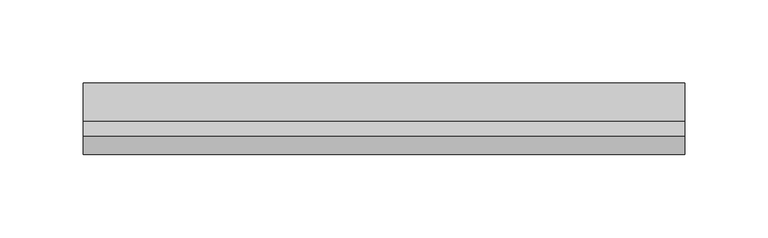
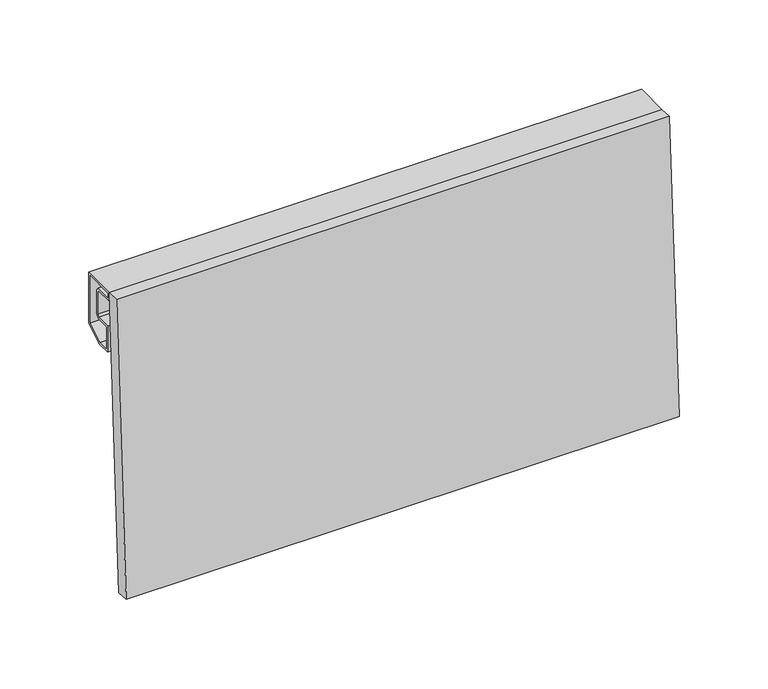
"""IFC4 building model written with IfcOpenShell, lengths in millimetres: plate geometry."""

from ifc_helpers import new_model, si_unit, frame, origin, place, context, project, spatial, polyline, outline, extrude, source, transform, mapped, element, save


def plate_9dce2143(model_context):
    return source(origin(), model_context, "Body", "SweptSolid", [
        extrude(outline(polyline([(0.0, 8.5), (360.0, 8.5), (360.0, 0.0), (0.0, 0.0), (0.0, 8.5)])), frame((180.0, -11.0929581, 0.0), z_axis=(0.0, 0.05537967254200552, 0.9984653683874771), x_axis=(-1.0, 0.0, 0.0)), (0.0, 0.0, 1.0), 200.3073981),
        extrude(outline(polyline([(23.0, 165.1685791), (10.3922729, 158.0), (1.5, 158.0), (1.5, 176.0), (11.5857849, 176.0), (13.0, 177.4142151), (13.0, 192.5857849), (11.5857849, 194.0), (0.0, 194.0), (0.0, 200.0), (23.0, 200.0), (23.0, 165.1685791)]), holes=[polyline([(1.5, 198.5), (1.5, 195.5), (12.2071053, 195.5), (14.5, 193.2071053), (14.5, 176.7928947), (12.2071053, 174.5), (3.0, 174.5), (3.0, 159.5), (9.9956483, 159.5), (21.5, 166.0412151), (21.5, 198.5), (1.5, 198.5)])]), frame((-180.0, 0.0, 0.0), z_axis=(1.0, 0.0, 0.0), x_axis=(0.0, 1.0, 0.0)), (0.0, 0.0, 1.0), 360.0),
    ])


if __name__ == "__main__":
    model = new_model("IFC4")
    model_context = context("Model", 3, world=origin())
    ifc_project = project(units=[si_unit("LENGTHUNIT", "METRE", prefix="MILLI")], contexts=[model_context])
    site = spatial("IfcSite", under=ifc_project)
    building = spatial("IfcBuilding", under=site)
    placement = place(None, origin())
    plate_shape = plate_9dce2143(model_context)
    element("IfcPlate", 1, at=placement, inside=building, context=model_context, shape_type="MappedRepresentation", body=[
        mapped(plate_shape, transform((0.0, 0.0, 0.0), x_axis=(1.0, 0.0, 0.0), y_axis=(0.0, 1.0, 0.0), z_axis=(0.0, 0.0, 1.0))),
    ])
    save(model, "model.ifc")
